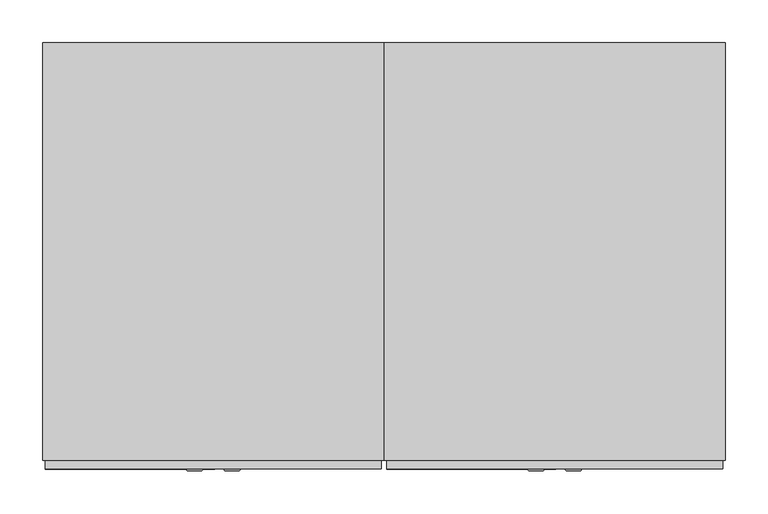
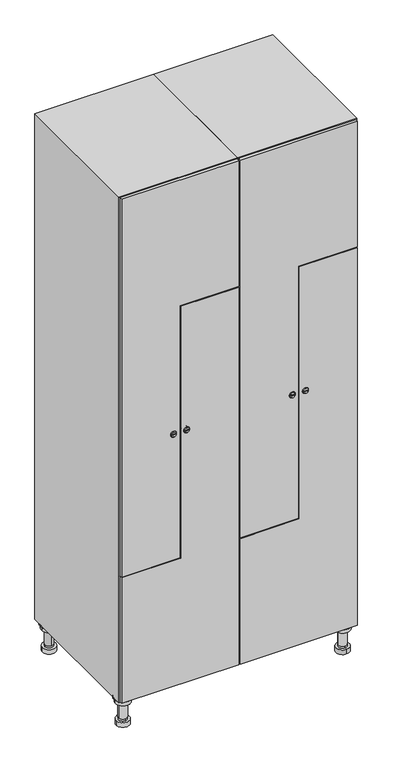
"""IFC4 building model written with IfcOpenShell, lengths in millimetres: furniture geometry."""

import ifcopenshell
import ifcopenshell.guid

model = None  # the IFC model being written
_history = None  # IfcOwnerHistory: only IFC2X3 demands one
_inside = {}  # id of a spatial element -> (the spatial element, [elements in it])
_under = {}  # id of a project, library or spatial element -> (it, [spatial elements below it])
_declared = {}  # id of a project -> (the project, [libraries it declares])
_typed = {}  # id of a type object -> (the type object, [elements of that type])
_made_of = {}  # id of a material, layer set ... -> (it, [elements and type objects made of it])


def new_model(schema):
    """Start an empty IFC model of exactly this schema.

    Asked for "IFC4X3", IfcOpenShell would pick the latest addendum, in which some entities
    have other attributes; the version numbers below select the first issue.
    IFC2X3 requires an IfcOwnerHistory on every rooted entity: one is made here for all.
    """
    global model, _history
    if schema == "IFC4X3":
        model = ifcopenshell.file(schema_version=(4, 3, 0, 0))
    else:
        model = ifcopenshell.file(schema=schema)
    _inside.clear()
    _under.clear()
    _declared.clear()
    _typed.clear()
    _made_of.clear()
    _history = None
    if model.schema == "IFC2X3":
        org = make("IfcOrganization", Name="unknown")
        user = make(
            "IfcPersonAndOrganization",
            ThePerson=make("IfcPerson", FamilyName="unknown"),
            TheOrganization=org,
        )
        app = make(
            "IfcApplication",
            ApplicationDeveloper=org,
            Version="unknown",
            ApplicationFullName="unknown",
            ApplicationIdentifier="unknown",
        )
        _history = make(
            "IfcOwnerHistory",
            OwningUser=user,
            OwningApplication=app,
            ChangeAction="ADDED",
            CreationDate=0,
        )
    return model


def make(cls, **values):
    """One entity of the class cls with the attributes given. An attribute that is None is left unset."""
    return model.create_entity(
        cls, **{name: value for name, value in values.items() if value is not None}
    )


def rooted(cls, **values):
    """An entity with a GlobalId (a new one), such as an element, a storey or a relation."""
    return make(cls, GlobalId=ifcopenshell.guid.new(), OwnerHistory=_history, **values)


def si_unit(unit_type, name, prefix=None):
    """IfcSIUnit, for example si_unit("LENGTHUNIT", "METRE", prefix="MILLI")."""
    return make("IfcSIUnit", UnitType=unit_type, Prefix=prefix, Name=name)


def assignment(units):
    """IfcUnitAssignment: the units of a project."""
    return None if units is None else make("IfcUnitAssignment", Units=units)


def point(xyz):
    """IfcCartesianPoint."""
    return None if xyz is None else make("IfcCartesianPoint", Coordinates=xyz)


def direction(xyz):
    """IfcDirection."""
    return None if xyz is None else make("IfcDirection", DirectionRatios=xyz)


def frame(location, z_axis=None, x_axis=None):
    """IfcAxis2Placement3D, a coordinate frame: its origin and axes. An axis left out is left unset."""
    return make(
        "IfcAxis2Placement3D",
        Location=point(location),
        Axis=direction(z_axis),
        RefDirection=direction(x_axis),
    )


def frame_2d(location, x_axis=None):
    """IfcAxis2Placement2D, a coordinate frame in the plane: its origin and x axis."""
    return make(
        "IfcAxis2Placement2D", Location=point(location), RefDirection=direction(x_axis)
    )


def origin():
    """The frame at (0, 0, 0) with its axes left unset."""
    return frame((0.0, 0.0, 0.0))


def place(relative_to, where):
    """IfcLocalPlacement: puts the frame where relative to a parent placement (None: the world)."""
    return make(
        "IfcLocalPlacement", PlacementRelTo=relative_to, RelativePlacement=where
    )


def context(
    kind, dimensions, precision=None, world=None, true_north=None, identifier=None
):
    """IfcGeometricRepresentationContext, for example the 3D "Model" context."""
    return make(
        "IfcGeometricRepresentationContext",
        ContextIdentifier=identifier,
        ContextType=kind,
        CoordinateSpaceDimension=dimensions,
        Precision=precision,
        WorldCoordinateSystem=world,
        TrueNorth=true_north,
    )


def project(units=None, contexts=None):
    """IfcProject with its units and contexts."""
    return rooted(
        "IfcProject",
        Name="project",
        RepresentationContexts=contexts,
        UnitsInContext=assignment(units),
    )


def spatial(cls, under=None, at=None, **own):
    """A site, building, storey or space (cls), placed at a placement, below another one or the project."""
    s = rooted(cls, ObjectPlacement=at, **own)
    if under is not None:
        _under.setdefault(under.id(), (under, []))[1].append(s)
    return s


def polyline(points):
    """IfcPolyline through the points."""
    return make("IfcPolyline", Points=[point(p) for p in points])


def circle_curve(where, radius):
    """IfcCircle in the frame where."""
    return make("IfcCircle", Position=where, Radius=radius)


def trimmed(basis, trim1, trim2, sense, master):
    """IfcTrimmedCurve: the piece of a basis curve between two trims."""
    return make(
        "IfcTrimmedCurve",
        BasisCurve=basis,
        Trim1=trim1,
        Trim2=trim2,
        SenseAgreement=sense,
        MasterRepresentation=master,
    )


def segment(curve, same_sense, transition):
    """IfcCompositeCurveSegment."""
    return make(
        "IfcCompositeCurveSegment",
        Transition=transition,
        SameSense=same_sense,
        ParentCurve=curve,
    )


def composite_curve(segments, self_intersect=None):
    """IfcCompositeCurve: segments joined end to end."""
    return make("IfcCompositeCurve", Segments=segments, SelfIntersect=self_intersect)


def outline(outer, holes=None, kind="AREA"):
    """IfcArbitraryClosedProfileDef: a profile drawn as a closed curve; with holes, ...WithVoids."""
    if holes is None:
        return make("IfcArbitraryClosedProfileDef", ProfileType=kind, OuterCurve=outer)
    return make(
        "IfcArbitraryProfileDefWithVoids",
        ProfileType=kind,
        OuterCurve=outer,
        InnerCurves=holes,
    )


def extrude(swept, where, along, depth):
    """IfcExtrudedAreaSolid: the profile swept, set in the frame where, extruded along a direction by depth."""
    return make(
        "IfcExtrudedAreaSolid",
        SweptArea=swept,
        Position=where,
        ExtrudedDirection=direction(along),
        Depth=depth,
    )


def faces_of(points, faces, orient=None, outer=None):
    """IfcFace entities. A face is a list of loops; a loop is a list of indices into points, from 0.

    orient and outer hold one flag for each loop. By default every Orientation is true, the
    first loop of a face is its IfcFaceOuterBound and the others are IfcFaceBound.
    """
    made = []
    for i, loops in enumerate(faces):
        bounds = []
        for j, loop in enumerate(loops):
            is_outer = j == 0 if outer is None else outer[i][j]
            bounds.append(
                make(
                    "IfcFaceOuterBound" if is_outer else "IfcFaceBound",
                    Bound=make("IfcPolyLoop", Polygon=[points[k] for k in loop]),
                    Orientation=True if orient is None else orient[i][j],
                )
            )
        made.append(make("IfcFace", Bounds=bounds))
    return made


def faceted_brep(points, faces, orient=None, outer=None, voids=None):
    """IfcFacetedBrep: a solid bounded by flat faces; with voids (closed shells), ...WithVoids."""
    shared = [point(p) for p in points]
    hull = make("IfcClosedShell", CfsFaces=faces_of(shared, faces, orient, outer))
    if voids is None:
        return make("IfcFacetedBrep", Outer=hull)
    return make(
        "IfcFacetedBrepWithVoids",
        Outer=hull,
        Voids=[
            make(cls, CfsFaces=faces_of(shared, fs, o, b)) for cls, fs, o, b in voids
        ],
    )


def shape(context_of_items, identifier, shape_type, items):
    """IfcShapeRepresentation: the items that make up one representation, for example the "Body"."""
    return make(
        "IfcShapeRepresentation",
        ContextOfItems=context_of_items,
        RepresentationIdentifier=identifier,
        RepresentationType=shape_type,
        Items=items,
    )


def source(mapping_origin, context_of_items, identifier, shape_type, items):
    """IfcRepresentationMap: a shape defined once, which mapped items show again and again."""
    return make(
        "IfcRepresentationMap",
        MappingOrigin=mapping_origin,
        MappedRepresentation=shape(context_of_items, identifier, shape_type, items),
    )


def transform(
    local_origin,
    x_axis=None,
    y_axis=None,
    z_axis=None,
    scale=None,
    scale2=None,
    scale3=None,
    uniform=True,
):
    """IfcCartesianTransformationOperator3D, or its non-uniform kind. x_axis, y_axis, z_axis: its Axis1, 2, 3."""
    if uniform:
        return make(
            "IfcCartesianTransformationOperator3D",
            Axis1=direction(x_axis),
            Axis2=direction(y_axis),
            LocalOrigin=point(local_origin),
            Scale=scale,
            Axis3=direction(z_axis),
        )
    return make(
        "IfcCartesianTransformationOperator3DnonUniform",
        Axis1=direction(x_axis),
        Axis2=direction(y_axis),
        LocalOrigin=point(local_origin),
        Scale=scale,
        Axis3=direction(z_axis),
        Scale2=scale2,
        Scale3=scale3,
    )


def mapped(mapping_source, mapping_target):
    """IfcMappedItem: shows the shape of a source again, moved by a transform."""
    return make(
        "IfcMappedItem", MappingSource=mapping_source, MappingTarget=mapping_target
    )


def made_of(thing, what):
    """Note that an element or type object is made of a material, layer set ...; save() writes the relation."""
    if what is not None:
        _made_of.setdefault(what.id(), (what, []))[1].append(thing)
    return thing


def element(
    cls,
    number,
    at=None,
    inside=None,
    cuts=None,
    type_object=None,
    material=None,
    context=None,
    identifier="Body",
    shape_type=None,
    held_by="IfcProductDefinitionShape",
    body=None,
    shapes=None,
    **own,
):
    """One element of the class cls, such as IfcWall. Its Tag is "e" and its number.

    at: its placement. inside: the storey or other place that contains it. cuts: it is an
    opening in that element (IfcRelVoidsElement). A single representation is given by context,
    identifier, shape_type and body (its items); several are given by shapes. held_by: the class
    of the entity that holds the representations. save() writes the other relations.
    """
    e = rooted(cls, Tag="e%d" % number, ObjectPlacement=at, **own)
    if body is not None:
        shapes = [shape(context, identifier, shape_type, body)]
    if shapes is not None:
        e.Representation = make(held_by, Representations=shapes)
    if inside is not None:
        _inside.setdefault(inside.id(), (inside, []))[1].append(e)
    if cuts is not None:
        rooted(
            "IfcRelVoidsElement", RelatingBuildingElement=cuts, RelatedOpeningElement=e
        )
    if type_object is not None:
        _typed.setdefault(type_object.id(), (type_object, []))[1].append(e)
    return made_of(e, material)


def aggregate(whole, parts):
    """IfcRelAggregates: a whole, such as a stair, and the parts it consists of."""
    return rooted("IfcRelAggregates", RelatingObject=whole, RelatedObjects=parts)


def save(model, path):
    """Write the relations noted so far, then the file.

    IfcRelAggregates (storeys below a building ...), IfcRelContainedInSpatialStructure (elements
    in a storey), IfcRelDefinesByType, IfcRelAssociatesMaterial and IfcRelDeclares: one each for
    every whole, place, type object, material and project.
    """
    for whole, parts in _under.values():
        aggregate(whole, parts)
    for where, things in _inside.values():
        rooted(
            "IfcRelContainedInSpatialStructure",
            RelatedElements=things,
            RelatingStructure=where,
        )
    for kind, things in _typed.values():
        rooted("IfcRelDefinesByType", RelatedObjects=things, RelatingType=kind)
    for what, things in _made_of.values():
        rooted("IfcRelAssociatesMaterial", RelatedObjects=things, RelatingMaterial=what)
    for by, libraries in _declared.values():
        rooted("IfcRelDeclares", RelatingContext=by, RelatedDefinitions=libraries)
    model.write(path)


def plane_surface(at):
    """IfcPlane: the flat surface through the origin of the frame at, square to its z axis."""
    return make("IfcPlane", Position=at)


def cylinder_surface(at, radius):
    """IfcCylindricalSurface: all points at the distance radius from the z axis of the frame at."""
    return make("IfcCylindricalSurface", Position=at, Radius=radius)


def revolved_surface(curve, axis_point, axis_direction):
    """IfcSurfaceOfRevolution: the curve turned about the line through axis_point along axis_direction."""
    return make(
        "IfcSurfaceOfRevolution",
        SweptCurve=make("IfcArbitraryOpenProfileDef", ProfileType="CURVE", Curve=curve),
        AxisPosition=make("IfcAxis1Placement", Location=point(axis_point), Axis=direction(axis_direction)),
    )


def advanced_brep(points, edges, surfaces, faces):
    """IfcAdvancedBrep: a solid bounded by faces that lie on surfaces and meet in shared edges.

    An edge is (start, end): straight between two places in points (the first is 0);
    or (start, end, curve); or (start, end, curve, False) where it runs against its curve.
    A face is (place in surfaces, loops), or (place, loops, False) where it looks against
    its surface's normal. A loop lists edges by number (the first is 1), with a minus sign
    where the edge is run from its end to its start. The first loop is the outer one.
    """
    corners = [point(p) for p in points]
    vertices = [make("IfcVertexPoint", VertexGeometry=c) for c in corners]
    made = []
    for start, end, *more in edges:
        made.append(
            make(
                "IfcEdgeCurve",
                EdgeStart=vertices[start],
                EdgeEnd=vertices[end],
                EdgeGeometry=more[0] if more else make("IfcPolyline", Points=[corners[start], corners[end]]),
                SameSense=more[1] if len(more) > 1 else True,
            )
        )
    hull = []
    for where, loops, *sense in faces:
        bounds = []
        for j, loop in enumerate(loops):
            ring = [make("IfcOrientedEdge", EdgeElement=made[abs(k) - 1], Orientation=k > 0) for k in loop]
            bounds.append(
                make(
                    "IfcFaceOuterBound" if j == 0 else "IfcFaceBound",
                    Bound=make("IfcEdgeLoop", EdgeList=ring),
                    Orientation=True,
                )
            )
        hull.append(make("IfcAdvancedFace", Bounds=bounds, FaceSurface=surfaces[where], SameSense=sense[0] if sense else True))
    return make("IfcAdvancedBrep", Outer=make("IfcClosedShell", CfsFaces=hull))


def furniture_53dede72(model_context):
    return source(origin(), model_context, "Body", "SolidModel", [
        advanced_brep(
        [(570.0, -201.0, 22.0), (570.0, -201.5, 16.0), (570.0, -228.5, 16.0), (570.0, -229.0, 22.0), (556.0, -215.0, 22.0), (584.0, -215.0, 22.0), (570.0, -192.5, 16.0), (570.0, -237.5, 16.0), (570.0, -192.5, 0.0), (570.0, -237.5, 0.0), (584.0, -215.0, 78.0), (556.0, -215.0, 78.0), (595.0, -215.0, 78.0), (545.0, -215.0, 78.0), (600.0, -215.0, 94.0), (540.0, -215.0, 94.0), (545.0, -215.0, 94.0), (595.0, -215.0, 94.0), (600.0, -215.0, 100.0), (540.0, -215.0, 100.0)],
        [
            (0, 1),
            (1, 2, circle_curve(frame((570.0, -215.0, 16.0), z_axis=(0.0, 0.0, 1.0), x_axis=(0.0, -1.0, 0.0)), 13.5)),
            (2, 3),
            (3, 4, circle_curve(frame((570.0, -215.0, 22.0), z_axis=(0.0, 0.0, -1.0), x_axis=(0.0, -1.0, 0.0)), 14.0)),
            (4, 0, circle_curve(frame((570.0, -215.0, 22.0), z_axis=(0.0, 0.0, -1.0), x_axis=(0.0, -1.0, 0.0)), 14.0)),
            (0, 5, circle_curve(frame((570.0, -215.0, 22.0), z_axis=(0.0, 0.0, -1.0), x_axis=(0.0, 1.0, 0.0)), 14.0)),
            (5, 3, circle_curve(frame((570.0, -215.0, 22.0), z_axis=(0.0, 0.0, -1.0), x_axis=(0.0, 1.0, 0.0)), 14.0)),
            (2, 1, circle_curve(frame((570.0, -215.0, 16.0), z_axis=(0.0, 0.0, 1.0), x_axis=(0.0, 1.0, 0.0)), 13.5)),
            (6, 7, circle_curve(frame((570.0, -215.0, 16.0), z_axis=(0.0, 0.0, 1.0), x_axis=(0.0, -1.0, 0.0)), 22.5)),
            (7, 6, circle_curve(frame((570.0, -215.0, 16.0), z_axis=(0.0, 0.0, 1.0), x_axis=(0.0, -1.0, 0.0)), 22.5)),
            (8, 9, circle_curve(frame((570.0, -215.0, 0.0), z_axis=(0.0, 0.0, -1.0), x_axis=(0.0, -1.0, 0.0)), 22.5)),
            (9, 8, circle_curve(frame((570.0, -215.0, 0.0), z_axis=(0.0, 0.0, -1.0), x_axis=(0.0, -1.0, 0.0)), 22.5)),
            (6, 8),
            (9, 7),
            (5, 10),
            (10, 11, circle_curve(frame((570.0, -215.0, 78.0), z_axis=(0.0, 0.0, -1.0), x_axis=(-1.0, 0.0, 0.0)), 14.0)),
            (11, 4),
            (11, 10, circle_curve(frame((570.0, -215.0, 78.0), z_axis=(0.0, 0.0, -1.0), x_axis=(-1.0, 0.0, 0.0)), 14.0)),
            (12, 13, circle_curve(frame((570.0, -215.0, 78.0), z_axis=(0.0, 0.0, -1.0), x_axis=(-1.0, 0.0, 0.0)), 25.0)),
            (13, 12, circle_curve(frame((570.0, -215.0, 78.0), z_axis=(0.0, 0.0, -1.0), x_axis=(-1.0, 0.0, 0.0)), 25.0)),
            (14, 15, circle_curve(frame((570.0, -215.0, 94.0), z_axis=(0.0, 0.0, -1.0), x_axis=(-1.0, 0.0, 0.0)), 30.0)),
            (15, 14, circle_curve(frame((570.0, -215.0, 94.0), z_axis=(0.0, 0.0, -1.0), x_axis=(-1.0, 0.0, 0.0)), 30.0)),
            (16, 17, circle_curve(frame((570.0, -215.0, 94.0), z_axis=(0.0, 0.0, 1.0), x_axis=(-1.0, 0.0, 0.0)), 25.0)),
            (17, 16, circle_curve(frame((570.0, -215.0, 94.0), z_axis=(0.0, 0.0, 1.0), x_axis=(-1.0, 0.0, 0.0)), 25.0)),
            (18, 19, circle_curve(frame((570.0, -215.0, 100.0), z_axis=(0.0, 0.0, 1.0), x_axis=(-1.0, 0.0, 0.0)), 30.0)),
            (19, 18, circle_curve(frame((570.0, -215.0, 100.0), z_axis=(0.0, 0.0, 1.0), x_axis=(-1.0, 0.0, 0.0)), 30.0)),
            (14, 18),
            (19, 15),
            (12, 17),
            (16, 13),
        ],
        [
            revolved_surface(polyline([(570.0, -201.5, 16.0), (570.0, -201.0, 22.0)]), (570.0, -215.0, -146.0), (0.0, 0.0, 1.0)),
            plane_surface(frame((570.0, 0.0, 16.0), z_axis=(0.0, 0.0, 1.0), x_axis=(0.0, -1.0, 0.0))),
            plane_surface(frame((570.0, 0.0, 0.0), z_axis=(0.0, 0.0, -1.0), x_axis=(0.0, -1.0, 0.0))),
            cylinder_surface(frame((570.0, -215.0, 16.0), z_axis=(0.0, 0.0, 1.0), x_axis=(0.0, -1.0, 0.0)), 22.5),
            cylinder_surface(frame((570.0, -215.0, 22.0), z_axis=(0.0, 0.0, -1.0), x_axis=(-1.0, 0.0, 0.0)), 14.0),
            plane_surface(frame((570.0, 0.0, 78.0), z_axis=(0.0, 0.0, -1.0), x_axis=(0.0, -1.0, 0.0))),
            plane_surface(frame((570.0, 0.0, 94.0), z_axis=(0.0, 0.0, -1.0), x_axis=(0.0, -1.0, 0.0))),
            plane_surface(frame((570.0, 0.0, 100.0), z_axis=(0.0, 0.0, 1.0), x_axis=(0.0, -1.0, 0.0))),
            cylinder_surface(frame((570.0, -215.0, 94.0), z_axis=(0.0, 0.0, -1.0), x_axis=(-1.0, 0.0, 0.0)), 30.0),
            cylinder_surface(frame((570.0, -215.0, 78.0), z_axis=(0.0, 0.0, -1.0), x_axis=(-1.0, 0.0, 0.0)), 25.0),
        ],
        [
            (0, [[1, 2, 3, 4, 5]]),
            (0, [[-1, 6, 7, -3, 8]]),
            (1, [[9, 10], [-2, -8]]),
            (2, [[11, 12]]),
            (3, [[-9, 13, -12, 14]]),
            (3, [[-10, -14, -11, -13]]),
            (4, [[15, 16, 17, -4, -7]]),
            (4, [[-15, -6, -5, -17, 18]]),
            (5, [[19, 20], [-16, -18]]),
            (6, [[21, 22], [23, 24]]),
            (7, [[25, 26]]),
            (8, [[-21, 27, -26, 28]]),
            (8, [[-22, -28, -25, -27]]),
            (9, [[-19, 29, -23, 30]]),
            (9, [[-20, -30, -24, -29]]),
        ],
    ),
        advanced_brep(
        [(-170.0, -201.0, 22.0), (-170.0, -201.5, 16.0), (-170.0, -228.5, 16.0), (-170.0, -229.0, 22.0), (-184.0, -215.0, 22.0), (-156.0, -215.0, 22.0), (-147.5, -215.0, 0.0), (-192.5, -215.0, 0.0), (-147.5, -215.0, 16.0), (-192.5, -215.0, 16.0), (-156.0, -215.0, 78.0), (-184.0, -215.0, 78.0), (-145.0, -215.0, 78.0), (-195.0, -215.0, 78.0), (-140.0, -215.0, 94.0), (-200.0, -215.0, 94.0), (-195.0, -215.0, 94.0), (-145.0, -215.0, 94.0), (-140.0, -215.0, 100.0), (-200.0, -215.0, 100.0)],
        [
            (0, 1),
            (1, 2, circle_curve(frame((-170.0, -215.0, 16.0), z_axis=(0.0, 0.0, 1.0), x_axis=(0.0, -1.0, 0.0)), 13.5)),
            (2, 3),
            (3, 4, circle_curve(frame((-170.0, -215.0, 22.0), z_axis=(0.0, 0.0, -1.0), x_axis=(0.0, -1.0, 0.0)), 14.0)),
            (4, 0, circle_curve(frame((-170.0, -215.0, 22.0), z_axis=(0.0, 0.0, -1.0), x_axis=(0.0, -1.0, 0.0)), 14.0)),
            (0, 5, circle_curve(frame((-170.0, -215.0, 22.0), z_axis=(0.0, 0.0, -1.0), x_axis=(0.0, 1.0, 0.0)), 14.0)),
            (5, 3, circle_curve(frame((-170.0, -215.0, 22.0), z_axis=(0.0, 0.0, -1.0), x_axis=(0.0, 1.0, 0.0)), 14.0)),
            (2, 1, circle_curve(frame((-170.0, -215.0, 16.0), z_axis=(0.0, 0.0, 1.0), x_axis=(0.0, 1.0, 0.0)), 13.5)),
            (6, 7, circle_curve(frame((-170.0, -215.0, 0.0), z_axis=(0.0, 0.0, -1.0), x_axis=(-1.0, 0.0, 0.0)), 22.5)),
            (7, 6, circle_curve(frame((-170.0, -215.0, 0.0), z_axis=(0.0, 0.0, -1.0), x_axis=(-1.0, 0.0, 0.0)), 22.5)),
            (8, 9, circle_curve(frame((-170.0, -215.0, 16.0), z_axis=(0.0, 0.0, 1.0), x_axis=(-1.0, 0.0, 0.0)), 22.5)),
            (9, 8, circle_curve(frame((-170.0, -215.0, 16.0), z_axis=(0.0, 0.0, 1.0), x_axis=(-1.0, 0.0, 0.0)), 22.5)),
            (6, 8),
            (9, 7),
            (5, 10),
            (10, 11, circle_curve(frame((-170.0, -215.0, 78.0), z_axis=(0.0, 0.0, -1.0), x_axis=(-1.0, 0.0, 0.0)), 14.0)),
            (11, 4),
            (11, 10, circle_curve(frame((-170.0, -215.0, 78.0), z_axis=(0.0, 0.0, -1.0), x_axis=(-1.0, 0.0, 0.0)), 14.0)),
            (12, 13, circle_curve(frame((-170.0, -215.0, 78.0), z_axis=(0.0, 0.0, -1.0), x_axis=(-1.0, 0.0, 0.0)), 25.0)),
            (13, 12, circle_curve(frame((-170.0, -215.0, 78.0), z_axis=(0.0, 0.0, -1.0), x_axis=(-1.0, 0.0, 0.0)), 25.0)),
            (14, 15, circle_curve(frame((-170.0, -215.0, 94.0), z_axis=(0.0, 0.0, -1.0), x_axis=(-1.0, 0.0, 0.0)), 30.0)),
            (15, 14, circle_curve(frame((-170.0, -215.0, 94.0), z_axis=(0.0, 0.0, -1.0), x_axis=(-1.0, 0.0, 0.0)), 30.0)),
            (16, 17, circle_curve(frame((-170.0, -215.0, 94.0), z_axis=(0.0, 0.0, 1.0), x_axis=(-1.0, 0.0, 0.0)), 25.0)),
            (17, 16, circle_curve(frame((-170.0, -215.0, 94.0), z_axis=(0.0, 0.0, 1.0), x_axis=(-1.0, 0.0, 0.0)), 25.0)),
            (18, 19, circle_curve(frame((-170.0, -215.0, 100.0), z_axis=(0.0, 0.0, 1.0), x_axis=(-1.0, 0.0, 0.0)), 30.0)),
            (19, 18, circle_curve(frame((-170.0, -215.0, 100.0), z_axis=(0.0, 0.0, 1.0), x_axis=(-1.0, 0.0, 0.0)), 30.0)),
            (14, 18),
            (19, 15),
            (12, 17),
            (16, 13),
        ],
        [
            revolved_surface(polyline([(-170.0, -201.5, 16.0), (-170.0, -201.0, 22.0)]), (-170.0, -215.0, -146.0), (0.0, 0.0, 1.0)),
            plane_surface(frame((-170.0, 0.0, 0.0), z_axis=(0.0, 0.0, -1.0), x_axis=(0.0, -1.0, 0.0))),
            plane_surface(frame((-170.0, 0.0, 16.0), z_axis=(0.0, 0.0, 1.0), x_axis=(0.0, -1.0, 0.0))),
            cylinder_surface(frame((-170.0, -215.0, 0.0), z_axis=(0.0, 0.0, -1.0), x_axis=(-1.0, 0.0, 0.0)), 22.5),
            cylinder_surface(frame((-170.0, -215.0, 22.0), z_axis=(0.0, 0.0, -1.0), x_axis=(-1.0, 0.0, 0.0)), 14.0),
            plane_surface(frame((-170.0, 0.0, 78.0), z_axis=(0.0, 0.0, -1.0), x_axis=(0.0, -1.0, 0.0))),
            plane_surface(frame((-170.0, 0.0, 94.0), z_axis=(0.0, 0.0, -1.0), x_axis=(0.0, -1.0, 0.0))),
            plane_surface(frame((-170.0, 0.0, 100.0), z_axis=(0.0, 0.0, 1.0), x_axis=(0.0, -1.0, 0.0))),
            cylinder_surface(frame((-170.0, -215.0, 94.0), z_axis=(0.0, 0.0, -1.0), x_axis=(-1.0, 0.0, 0.0)), 30.0),
            cylinder_surface(frame((-170.0, -215.0, 78.0), z_axis=(0.0, 0.0, -1.0), x_axis=(-1.0, 0.0, 0.0)), 25.0),
        ],
        [
            (0, [[1, 2, 3, 4, 5]]),
            (0, [[-1, 6, 7, -3, 8]]),
            (1, [[9, 10]]),
            (2, [[11, 12], [-2, -8]]),
            (3, [[-9, 13, -12, 14]]),
            (3, [[-10, -14, -11, -13]]),
            (4, [[15, 16, 17, -4, -7]]),
            (4, [[-15, -6, -5, -17, 18]]),
            (5, [[19, 20], [-16, -18]]),
            (6, [[21, 22], [23, 24]]),
            (7, [[25, 26]]),
            (8, [[-21, 27, -26, 28]]),
            (8, [[-22, -28, -25, -27]]),
            (9, [[-19, 29, -23, 30]]),
            (9, [[-20, -30, -24, -29]]),
        ],
    ),
        advanced_brep(
        [(583.5, 215.0, 16.0), (584.0, 215.0, 22.0), (556.0, 215.0, 22.0), (556.5, 215.0, 16.0), (592.5, 215.0, 0.0), (547.5, 215.0, 0.0), (592.5, 215.0, 16.0), (547.5, 215.0, 16.0), (584.0, 215.0, 78.0), (556.0, 215.0, 78.0), (595.0, 215.0, 78.0), (545.0, 215.0, 78.0), (600.0, 215.0, 94.0), (540.0, 215.0, 94.0), (545.0, 215.0, 94.0), (595.0, 215.0, 94.0), (600.0, 215.0, 100.0), (540.0, 215.0, 100.0)],
        [
            (0, 1),
            (1, 2, circle_curve(frame((570.0, 215.0, 22.0), z_axis=(0.0, 0.0, -1.0), x_axis=(-1.0, 0.0, 0.0)), 14.0)),
            (2, 3),
            (3, 0, circle_curve(frame((570.0, 215.0, 16.0), z_axis=(0.0, 0.0, 1.0), x_axis=(-1.0, 0.0, 0.0)), 13.5)),
            (0, 3, circle_curve(frame((570.0, 215.0, 16.0), z_axis=(0.0, 0.0, 1.0), x_axis=(1.0, 0.0, 0.0)), 13.5)),
            (2, 1, circle_curve(frame((570.0, 215.0, 22.0), z_axis=(0.0, 0.0, -1.0), x_axis=(1.0, 0.0, 0.0)), 14.0)),
            (4, 5, circle_curve(frame((570.0, 215.0, 0.0), z_axis=(0.0, 0.0, -1.0), x_axis=(-1.0, 0.0, 0.0)), 22.5)),
            (5, 4, circle_curve(frame((570.0, 215.0, 0.0), z_axis=(0.0, 0.0, -1.0), x_axis=(-1.0, 0.0, 0.0)), 22.5)),
            (6, 7, circle_curve(frame((570.0, 215.0, 16.0), z_axis=(0.0, 0.0, 1.0), x_axis=(-1.0, 0.0, 0.0)), 22.5)),
            (7, 6, circle_curve(frame((570.0, 215.0, 16.0), z_axis=(0.0, 0.0, 1.0), x_axis=(-1.0, 0.0, 0.0)), 22.5)),
            (4, 6),
            (7, 5),
            (1, 8),
            (8, 9, circle_curve(frame((570.0, 215.0, 78.0), z_axis=(0.0, 0.0, -1.0), x_axis=(-1.0, 0.0, 0.0)), 14.0)),
            (9, 2),
            (9, 8, circle_curve(frame((570.0, 215.0, 78.0), z_axis=(0.0, 0.0, -1.0), x_axis=(-1.0, 0.0, 0.0)), 14.0)),
            (10, 11, circle_curve(frame((570.0, 215.0, 78.0), z_axis=(0.0, 0.0, -1.0), x_axis=(-1.0, 0.0, 0.0)), 25.0)),
            (11, 10, circle_curve(frame((570.0, 215.0, 78.0), z_axis=(0.0, 0.0, -1.0), x_axis=(-1.0, 0.0, 0.0)), 25.0)),
            (12, 13, circle_curve(frame((570.0, 215.0, 94.0), z_axis=(0.0, 0.0, -1.0), x_axis=(-1.0, 0.0, 0.0)), 30.0)),
            (13, 12, circle_curve(frame((570.0, 215.0, 94.0), z_axis=(0.0, 0.0, -1.0), x_axis=(-1.0, 0.0, 0.0)), 30.0)),
            (14, 15, circle_curve(frame((570.0, 215.0, 94.0), z_axis=(0.0, 0.0, 1.0), x_axis=(-1.0, 0.0, 0.0)), 25.0)),
            (15, 14, circle_curve(frame((570.0, 215.0, 94.0), z_axis=(0.0, 0.0, 1.0), x_axis=(-1.0, 0.0, 0.0)), 25.0)),
            (16, 17, circle_curve(frame((570.0, 215.0, 100.0), z_axis=(0.0, 0.0, 1.0), x_axis=(-1.0, 0.0, 0.0)), 30.0)),
            (17, 16, circle_curve(frame((570.0, 215.0, 100.0), z_axis=(0.0, 0.0, 1.0), x_axis=(-1.0, 0.0, 0.0)), 30.0)),
            (12, 16),
            (17, 13),
            (10, 15),
            (14, 11),
        ],
        [
            revolved_surface(polyline([(583.5, 215.0, 16.0), (584.0, 215.0, 22.0)]), (570.0, 215.0, -146.0), (0.0, 0.0, 1.0)),
            plane_surface(frame((570.0, 0.0, 0.0), z_axis=(0.0, 0.0, -1.0), x_axis=(0.0, -1.0, 0.0))),
            plane_surface(frame((570.0, 0.0, 16.0), z_axis=(0.0, 0.0, 1.0), x_axis=(0.0, -1.0, 0.0))),
            cylinder_surface(frame((570.0, 215.0, 0.0), z_axis=(0.0, 0.0, -1.0), x_axis=(-1.0, 0.0, 0.0)), 22.5),
            cylinder_surface(frame((570.0, 215.0, 22.0), z_axis=(0.0, 0.0, -1.0), x_axis=(-1.0, 0.0, 0.0)), 14.0),
            plane_surface(frame((570.0, 0.0, 78.0), z_axis=(0.0, 0.0, -1.0), x_axis=(0.0, -1.0, 0.0))),
            plane_surface(frame((570.0, 0.0, 94.0), z_axis=(0.0, 0.0, -1.0), x_axis=(0.0, -1.0, 0.0))),
            plane_surface(frame((570.0, 0.0, 100.0), z_axis=(0.0, 0.0, 1.0), x_axis=(0.0, -1.0, 0.0))),
            cylinder_surface(frame((570.0, 215.0, 94.0), z_axis=(0.0, 0.0, -1.0), x_axis=(-1.0, 0.0, 0.0)), 30.0),
            cylinder_surface(frame((570.0, 215.0, 78.0), z_axis=(0.0, 0.0, -1.0), x_axis=(-1.0, 0.0, 0.0)), 25.0),
        ],
        [
            (0, [[1, 2, 3, 4]]),
            (0, [[-1, 5, -3, 6]]),
            (1, [[7, 8]]),
            (2, [[9, 10], [-4, -5]]),
            (3, [[-7, 11, -10, 12]]),
            (3, [[-8, -12, -9, -11]]),
            (4, [[13, 14, 15, -2]]),
            (4, [[-13, -6, -15, 16]]),
            (5, [[17, 18], [-14, -16]]),
            (6, [[19, 20], [21, 22]]),
            (7, [[23, 24]]),
            (8, [[-19, 25, -24, 26]]),
            (8, [[-20, -26, -23, -25]]),
            (9, [[-17, 27, -21, 28]]),
            (9, [[-18, -28, -22, -27]]),
        ],
    ),
        advanced_brep(
        [(-156.5, 215.0, 16.0), (-156.0, 215.0, 22.0), (-170.0, 201.0, 22.0), (-184.0, 215.0, 22.0), (-183.5, 215.0, 16.0), (-170.0, 229.0, 22.0), (-147.5, 215.0, 0.0), (-192.5, 215.0, 0.0), (-147.5, 215.0, 16.0), (-192.5, 215.0, 16.0), (-170.0, 229.0, 78.0), (-170.0, 201.0, 78.0), (-145.0, 215.0, 78.0), (-195.0, 215.0, 78.0), (-140.0, 215.0, 94.0), (-200.0, 215.0, 94.0), (-195.0, 215.0, 94.0), (-145.0, 215.0, 94.0), (-140.0, 215.0, 100.0), (-200.0, 215.0, 100.0)],
        [
            (0, 1),
            (1, 2, circle_curve(frame((-170.0, 215.0, 22.0), z_axis=(0.0, 0.0, -1.0), x_axis=(-1.0, 0.0, 0.0)), 14.0)),
            (2, 3, circle_curve(frame((-170.0, 215.0, 22.0), z_axis=(0.0, 0.0, -1.0), x_axis=(-1.0, 0.0, 0.0)), 14.0)),
            (3, 4),
            (4, 0, circle_curve(frame((-170.0, 215.0, 16.0), z_axis=(0.0, 0.0, 1.0), x_axis=(-1.0, 0.0, 0.0)), 13.5)),
            (0, 4, circle_curve(frame((-170.0, 215.0, 16.0), z_axis=(0.0, 0.0, 1.0), x_axis=(1.0, 0.0, 0.0)), 13.5)),
            (3, 5, circle_curve(frame((-170.0, 215.0, 22.0), z_axis=(0.0, 0.0, -1.0), x_axis=(1.0, 0.0, 0.0)), 14.0)),
            (5, 1, circle_curve(frame((-170.0, 215.0, 22.0), z_axis=(0.0, 0.0, -1.0), x_axis=(1.0, 0.0, 0.0)), 14.0)),
            (6, 7, circle_curve(frame((-170.0, 215.0, 0.0), z_axis=(0.0, 0.0, -1.0), x_axis=(-1.0, 0.0, 0.0)), 22.5)),
            (7, 6, circle_curve(frame((-170.0, 215.0, 0.0), z_axis=(0.0, 0.0, -1.0), x_axis=(-1.0, 0.0, 0.0)), 22.5)),
            (8, 9, circle_curve(frame((-170.0, 215.0, 16.0), z_axis=(0.0, 0.0, 1.0), x_axis=(-1.0, 0.0, 0.0)), 22.5)),
            (9, 8, circle_curve(frame((-170.0, 215.0, 16.0), z_axis=(0.0, 0.0, 1.0), x_axis=(-1.0, 0.0, 0.0)), 22.5)),
            (6, 8),
            (9, 7),
            (10, 5),
            (2, 11),
            (11, 10, circle_curve(frame((-170.0, 215.0, 78.0), z_axis=(0.0, 0.0, -1.0), x_axis=(0.0, -1.0, 0.0)), 14.0)),
            (10, 11, circle_curve(frame((-170.0, 215.0, 78.0), z_axis=(0.0, 0.0, -1.0), x_axis=(0.0, -1.0, 0.0)), 14.0)),
            (12, 13, circle_curve(frame((-170.0, 215.0, 78.0), z_axis=(0.0, 0.0, -1.0), x_axis=(-1.0, 0.0, 0.0)), 25.0)),
            (13, 12, circle_curve(frame((-170.0, 215.0, 78.0), z_axis=(0.0, 0.0, -1.0), x_axis=(-1.0, 0.0, 0.0)), 25.0)),
            (14, 15, circle_curve(frame((-170.0, 215.0, 94.0), z_axis=(0.0, 0.0, -1.0), x_axis=(-1.0, 0.0, 0.0)), 30.0)),
            (15, 14, circle_curve(frame((-170.0, 215.0, 94.0), z_axis=(0.0, 0.0, -1.0), x_axis=(-1.0, 0.0, 0.0)), 30.0)),
            (16, 17, circle_curve(frame((-170.0, 215.0, 94.0), z_axis=(0.0, 0.0, 1.0), x_axis=(-1.0, 0.0, 0.0)), 25.0)),
            (17, 16, circle_curve(frame((-170.0, 215.0, 94.0), z_axis=(0.0, 0.0, 1.0), x_axis=(-1.0, 0.0, 0.0)), 25.0)),
            (18, 19, circle_curve(frame((-170.0, 215.0, 100.0), z_axis=(0.0, 0.0, 1.0), x_axis=(-1.0, 0.0, 0.0)), 30.0)),
            (19, 18, circle_curve(frame((-170.0, 215.0, 100.0), z_axis=(0.0, 0.0, 1.0), x_axis=(-1.0, 0.0, 0.0)), 30.0)),
            (14, 18),
            (19, 15),
            (12, 17),
            (16, 13),
        ],
        [
            revolved_surface(polyline([(-156.5, 215.0, 16.0), (-156.0, 215.0, 22.0)]), (-170.0, 215.0, -146.0), (0.0, 0.0, 1.0)),
            plane_surface(frame((-170.0, 0.0, 0.0), z_axis=(0.0, 0.0, -1.0), x_axis=(0.0, -1.0, 0.0))),
            plane_surface(frame((-170.0, 0.0, 16.0), z_axis=(0.0, 0.0, 1.0), x_axis=(0.0, -1.0, 0.0))),
            cylinder_surface(frame((-170.0, 215.0, 0.0), z_axis=(0.0, 0.0, -1.0), x_axis=(-1.0, 0.0, 0.0)), 22.5),
            cylinder_surface(frame((-170.0, 215.0, 78.0), z_axis=(0.0, 0.0, 1.0), x_axis=(0.0, -1.0, 0.0)), 14.0),
            plane_surface(frame((-170.0, 0.0, 78.0), z_axis=(0.0, 0.0, -1.0), x_axis=(0.0, -1.0, 0.0))),
            plane_surface(frame((-170.0, 0.0, 94.0), z_axis=(0.0, 0.0, -1.0), x_axis=(0.0, -1.0, 0.0))),
            plane_surface(frame((-170.0, 0.0, 100.0), z_axis=(0.0, 0.0, 1.0), x_axis=(0.0, -1.0, 0.0))),
            cylinder_surface(frame((-170.0, 215.0, 94.0), z_axis=(0.0, 0.0, -1.0), x_axis=(-1.0, 0.0, 0.0)), 30.0),
            cylinder_surface(frame((-170.0, 215.0, 78.0), z_axis=(0.0, 0.0, -1.0), x_axis=(-1.0, 0.0, 0.0)), 25.0),
        ],
        [
            (0, [[1, 2, 3, 4, 5]]),
            (0, [[-1, 6, -4, 7, 8]]),
            (1, [[9, 10]]),
            (2, [[11, 12], [-5, -6]]),
            (3, [[-9, 13, -12, 14]]),
            (3, [[-10, -14, -11, -13]]),
            (4, [[15, -7, -3, 16, 17]]),
            (4, [[-15, 18, -16, -2, -8]]),
            (5, [[19, 20], [-17, -18]]),
            (6, [[21, 22], [23, 24]]),
            (7, [[25, 26]]),
            (8, [[-21, 27, -26, 28]]),
            (8, [[-22, -28, -25, -27]]),
            (9, [[-19, 29, -23, 30]]),
            (9, [[-20, -30, -24, -29]]),
        ],
    ),
        extrude(outline(composite_curve([segment(trimmed(circle_curve(frame_2d((1000.0, 404.7989466)), 7.0), [point((993.0, 404.7989466))], [point((1007.0, 404.7989466))], False, "CARTESIAN"), True, "CONTINUOUS"), segment(polyline([(1007.0, 404.7989466), (1007.0, 376.7989466)]), True, "CONTINUOUS"), segment(trimmed(circle_curve(frame_2d((1000.0, 376.7989466)), 7.0), [point((1007.0, 376.7989466))], [point((993.0, 376.7989466))], False, "CARTESIAN"), True, "CONTINUOUS"), segment(polyline([(993.0, 376.7989466), (993.0, 404.7989466)]), True, "CONTINUOUS")], self_intersect=False)), frame((0.0, -245.0, 0.0), z_axis=(0.0, 1.0, 0.0), x_axis=(0.0, 0.0, 1.0)), (0.0, 0.0, 1.0), 2.0),
        advanced_brep(
        [(369.5, -257.2, 1000.0), (386.5, -257.2, 1000.0), (383.0, -257.2, 1001.25), (383.0, -257.2, 998.75), (373.0, -257.2, 998.75), (373.0, -257.2, 1001.25), (367.5, -255.0, 1000.0), (388.5, -255.0, 1000.0), (383.0, -255.0, 998.75), (383.0, -255.0, 1001.25), (373.0, -255.0, 1001.25), (373.0, -255.0, 998.75)],
        [
            (0, 1, circle_curve(frame((378.0, -257.2, 1000.0), z_axis=(0.0, -1.0, 0.0), x_axis=(-1.0, 0.0, 0.0)), 8.5)),
            (1, 0, circle_curve(frame((378.0, -257.2, 1000.0), z_axis=(0.0, -1.0, 0.0), x_axis=(1.0, 0.0, 0.0)), 8.5)),
            (2, 3),
            (3, 4),
            (4, 5),
            (5, 2),
            (6, 7, circle_curve(frame((378.0, -255.0, 1000.0), z_axis=(0.0, 1.0, 0.0), x_axis=(1.0, 0.0, 0.0)), 10.5)),
            (7, 6, circle_curve(frame((378.0, -255.0, 1000.0), z_axis=(0.0, 1.0, 0.0), x_axis=(-1.0, 0.0, 0.0)), 10.5)),
            (8, 9),
            (9, 10),
            (10, 11),
            (11, 8),
            (0, 6),
            (7, 1),
            (8, 3),
            (2, 9),
            (11, 4),
            (10, 5),
        ],
        [
            plane_surface(frame((378.0, -257.2, 1000.0), z_axis=(0.0, -1.0, 0.0), x_axis=(0.0, 0.0, -1.0))),
            plane_surface(frame((378.0, -255.0, 1000.0), z_axis=(0.0, 1.0, 0.0), x_axis=(0.0, 0.0, -1.0))),
            revolved_surface(polyline([(369.5, -257.2, 1000.0), (367.5, -255.0, 1000.0)]), (378.0, -266.55, 1000.0), (0.0, 1.0, 0.0)),
            revolved_surface(polyline([(386.5, -257.2, 1000.0), (388.5, -255.0, 1000.0)]), (378.0, -266.55, 1000.0), (0.0, 1.0, 0.0)),
            plane_surface(frame((383.0, -255.0, 1001.25), z_axis=(-1.0, 0.0, 0.0), x_axis=(0.0, -1.0, 0.0))),
            plane_surface(frame((383.0, -255.0, 998.75), z_axis=(0.0, 0.0, 1.0), x_axis=(0.0, -1.0, 0.0))),
            plane_surface(frame((373.0, -255.0, 998.75), z_axis=(1.0, 0.0, 0.0), x_axis=(0.0, -1.0, 0.0))),
            plane_surface(frame((373.0, -255.0, 1001.25), z_axis=(0.0, 0.0, -1.0), x_axis=(0.0, -1.0, 0.0))),
        ],
        [
            (0, [[1, 2], [3, 4, 5, 6]]),
            (1, [[7, 8], [9, 10, 11, 12]]),
            (2, [[-1, 13, -8, 14]]),
            (3, [[-2, -14, -7, -13]]),
            (4, [[15, -3, 16, -9]]),
            (5, [[-15, -12, 17, -4]]),
            (6, [[-17, -11, 18, -5]]),
            (7, [[-16, -6, -18, -10]]),
        ],
    ),
        extrude(outline(polyline([(1897.0, 203.0), (553.0, 203.0), (553.0, 398.5), (1450.0, 398.5), (1450.0, 597.0), (1897.0, 597.0), (1897.0, 203.0)])), frame((0.0, -255.0, 0.0), z_axis=(0.0, 1.0, 0.0), x_axis=(0.0, 0.0, 1.0)), (0.0, 0.0, 1.0), 10.0),
        extrude(outline(composite_curve([segment(trimmed(circle_curve(frame_2d((1000.0, 395.2010534)), 7.0), [point((1007.0, 395.2010534))], [point((993.0, 395.2010534))], False, "CARTESIAN"), True, "CONTINUOUS"), segment(polyline([(993.0, 395.2010534), (993.0, 423.2010534)]), True, "CONTINUOUS"), segment(trimmed(circle_curve(frame_2d((1000.0, 423.2010534)), 7.0), [point((993.0, 423.2010534))], [point((1007.0, 423.2010534))], False, "CARTESIAN"), True, "CONTINUOUS"), segment(polyline([(1007.0, 423.2010534), (1007.0, 395.2010534)]), True, "CONTINUOUS")], self_intersect=False)), frame((0.0, -245.0, 0.0), z_axis=(0.0, 1.0, 0.0), x_axis=(0.0, 0.0, 1.0)), (0.0, 0.0, 1.0), 2.0),
        advanced_brep(
        [(430.5, -257.2, 1000.0), (413.5, -257.2, 1000.0), (417.0, -257.2, 998.75), (417.0, -257.2, 1001.25), (427.0, -257.2, 1001.25), (427.0, -257.2, 998.75), (432.5, -255.0, 1000.0), (411.5, -255.0, 1000.0), (417.0, -255.0, 1001.25), (417.0, -255.0, 998.75), (427.0, -255.0, 998.75), (427.0, -255.0, 1001.25)],
        [
            (0, 1, circle_curve(frame((422.0, -257.2, 1000.0), z_axis=(0.0, -1.0, 0.0), x_axis=(1.0, 0.0, 0.0)), 8.5)),
            (1, 0, circle_curve(frame((422.0, -257.2, 1000.0), z_axis=(0.0, -1.0, 0.0), x_axis=(-1.0, 0.0, 0.0)), 8.5)),
            (2, 3),
            (3, 4),
            (4, 5),
            (5, 2),
            (6, 7, circle_curve(frame((422.0, -255.0, 1000.0), z_axis=(0.0, 1.0, 0.0), x_axis=(-1.0, 0.0, 0.0)), 10.5)),
            (7, 6, circle_curve(frame((422.0, -255.0, 1000.0), z_axis=(0.0, 1.0, 0.0), x_axis=(1.0, 0.0, 0.0)), 10.5)),
            (8, 9),
            (9, 10),
            (10, 11),
            (11, 8),
            (0, 6),
            (7, 1),
            (8, 3),
            (2, 9),
            (11, 4),
            (10, 5),
        ],
        [
            plane_surface(frame((422.0, -257.2, 1000.0), z_axis=(0.0, -1.0, 0.0), x_axis=(0.0, 0.0, 1.0))),
            plane_surface(frame((422.0, -255.0, 1000.0), z_axis=(0.0, 1.0, 0.0), x_axis=(0.0, 0.0, 1.0))),
            revolved_surface(polyline([(430.5, -257.2, 1000.0), (432.5, -255.0, 1000.0)]), (422.0, -266.55, 1000.0), (0.0, 1.0, 0.0)),
            revolved_surface(polyline([(413.5, -257.2, 1000.0), (411.5, -255.0, 1000.0)]), (422.0, -266.55, 1000.0), (0.0, 1.0, 0.0)),
            plane_surface(frame((417.0, -255.0, 998.75), z_axis=(1.0, 0.0, 0.0), x_axis=(0.0, -1.0, 0.0))),
            plane_surface(frame((417.0, -255.0, 1001.25), z_axis=(0.0, 0.0, -1.0), x_axis=(0.0, -1.0, 0.0))),
            plane_surface(frame((427.0, -255.0, 1001.25), z_axis=(-1.0, 0.0, 0.0), x_axis=(0.0, -1.0, 0.0))),
            plane_surface(frame((427.0, -255.0, 998.75), z_axis=(0.0, 0.0, 1.0), x_axis=(0.0, -1.0, 0.0))),
        ],
        [
            (0, [[1, 2], [3, 4, 5, 6]]),
            (1, [[7, 8], [9, 10, 11, 12]]),
            (2, [[-1, 13, -8, 14]]),
            (3, [[-2, -14, -7, -13]]),
            (4, [[15, -3, 16, -9]]),
            (5, [[-15, -12, 17, -4]]),
            (6, [[-17, -11, 18, -5]]),
            (7, [[-16, -6, -18, -10]]),
        ],
    ),
        extrude(outline(polyline([(103.0, 597.0), (1447.0, 597.0), (1447.0, 401.5), (550.0, 401.5), (550.0, 203.0), (103.0, 203.0), (103.0, 597.0)])), frame((0.0, -255.0, 0.0), z_axis=(0.0, 1.0, 0.0), x_axis=(0.0, 0.0, 1.0)), (0.0, 0.0, 1.0), 10.0),
        extrude(outline(polyline([(1443.5, 590.0), (1453.5, 590.0), (1453.5, 395.0), (556.5, 395.0), (556.5, 210.0), (546.5, 210.0), (546.5, 405.0), (1443.5, 405.0), (1443.5, 590.0)])), frame((0.0, -245.0, 0.0), z_axis=(0.0, 1.0, 0.0), x_axis=(0.0, 0.0, 1.0)), (0.0, 0.0, 1.0), 486.0),
        faceted_brep([(600.0, -245.0, 100.0), (600.0, -245.0, 1900.0), (200.0, -245.0, 1900.0), (200.0, -245.0, 100.0), (590.0, -245.0, 1890.0), (590.0, -245.0, 110.0), (210.0, -245.0, 110.0), (210.0, -245.0, 1890.0), (600.0, 245.0, 100.0), (200.0, 245.0, 100.0), (600.0, 245.0, 1900.0), (200.0, 245.0, 1900.0), (590.0, 241.0, 1890.0), (590.0, 241.0, 110.0), (200.0, 245.0, 1890.0), (210.0, 241.0, 1890.0), (210.0, 241.0, 110.0)], [[[0, 1, 2, 3], [4, 5, 6, 7]], [[8, 0, 3, 9]], [[1, 0, 8, 10]], [[1, 10, 11, 2]], [[4, 12, 13, 5]], [[9, 3, 2, 11, 14]], [[10, 8, 9, 14, 11]], [[12, 15, 16, 13]], [[15, 7, 6, 16]], [[4, 7, 15, 12]], [[6, 5, 13, 16]]]),
        extrude(outline(composite_curve([segment(trimmed(circle_curve(frame_2d((1000.0, 4.7989466)), 7.0), [point((993.0, 4.7989466))], [point((1007.0, 4.7989466))], False, "CARTESIAN"), True, "CONTINUOUS"), segment(polyline([(1007.0, 4.7989466), (1007.0, -23.2010534)]), True, "CONTINUOUS"), segment(trimmed(circle_curve(frame_2d((1000.0, -23.2010534)), 7.0), [point((1007.0, -23.2010534))], [point((993.0, -23.2010534))], False, "CARTESIAN"), True, "CONTINUOUS"), segment(polyline([(993.0, -23.2010534), (993.0, 4.7989466)]), True, "CONTINUOUS")], self_intersect=False)), frame((0.0, -245.0, 0.0), z_axis=(0.0, 1.0, 0.0), x_axis=(0.0, 0.0, 1.0)), (0.0, 0.0, 1.0), 2.0),
        advanced_brep(
        [(-30.5, -257.2, 1000.0), (-13.5, -257.2, 1000.0), (-17.0, -257.2, 1001.25), (-17.0, -257.2, 998.75), (-27.0, -257.2, 998.75), (-27.0, -257.2, 1001.25), (-32.5, -255.0, 1000.0), (-11.5, -255.0, 1000.0), (-17.0, -255.0, 998.75), (-17.0, -255.0, 1001.25), (-27.0, -255.0, 1001.25), (-27.0, -255.0, 998.75)],
        [
            (0, 1, circle_curve(frame((-22.0, -257.2, 1000.0), z_axis=(0.0, -1.0, 0.0), x_axis=(-1.0, 0.0, 0.0)), 8.5)),
            (1, 0, circle_curve(frame((-22.0, -257.2, 1000.0), z_axis=(0.0, -1.0, 0.0), x_axis=(1.0, 0.0, 0.0)), 8.5)),
            (2, 3),
            (3, 4),
            (4, 5),
            (5, 2),
            (6, 7, circle_curve(frame((-22.0, -255.0, 1000.0), z_axis=(0.0, 1.0, 0.0), x_axis=(1.0, 0.0, 0.0)), 10.5)),
            (7, 6, circle_curve(frame((-22.0, -255.0, 1000.0), z_axis=(0.0, 1.0, 0.0), x_axis=(-1.0, 0.0, 0.0)), 10.5)),
            (8, 9),
            (9, 10),
            (10, 11),
            (11, 8),
            (0, 6),
            (7, 1),
            (8, 3),
            (2, 9),
            (11, 4),
            (10, 5),
        ],
        [
            plane_surface(frame((-22.0, -257.2, 1000.0), z_axis=(0.0, -1.0, 0.0), x_axis=(0.0, 0.0, -1.0))),
            plane_surface(frame((-22.0, -255.0, 1000.0), z_axis=(0.0, 1.0, 0.0), x_axis=(0.0, 0.0, -1.0))),
            revolved_surface(polyline([(-30.500000000000014, -257.2, 1000.0), (-32.5, -255.0, 1000.0)]), (-22.0, -266.55, 1000.0), (0.0, 1.0, 0.0)),
            revolved_surface(polyline([(-13.499999999999988, -257.2, 1000.0), (-11.5, -255.0, 1000.0)]), (-22.0, -266.55, 1000.0), (0.0, 1.0, 0.0)),
            plane_surface(frame((-17.0, -255.0, 1001.25), z_axis=(-1.0, 0.0, 0.0), x_axis=(0.0, -1.0, 0.0))),
            plane_surface(frame((-17.0, -255.0, 998.75), z_axis=(0.0, 0.0, 1.0), x_axis=(0.0, -1.0, 0.0))),
            plane_surface(frame((-27.0, -255.0, 998.75), z_axis=(1.0, 0.0, 0.0), x_axis=(0.0, -1.0, 0.0))),
            plane_surface(frame((-27.0, -255.0, 1001.25), z_axis=(0.0, 0.0, -1.0), x_axis=(0.0, -1.0, 0.0))),
        ],
        [
            (0, [[1, 2], [3, 4, 5, 6]]),
            (1, [[7, 8], [9, 10, 11, 12]]),
            (2, [[-1, 13, -8, 14]]),
            (3, [[-2, -14, -7, -13]]),
            (4, [[15, -3, 16, -9]]),
            (5, [[-15, -12, 17, -4]]),
            (6, [[-17, -11, 18, -5]]),
            (7, [[-16, -6, -18, -10]]),
        ],
    ),
        extrude(outline(polyline([(1897.0, -197.0), (553.0, -197.0), (553.0, -1.5), (1450.0, -1.5), (1450.0, 197.0), (1897.0, 197.0), (1897.0, -197.0)])), frame((0.0, -255.0, 0.0), z_axis=(0.0, 1.0, 0.0), x_axis=(0.0, 0.0, 1.0)), (0.0, 0.0, 1.0), 10.0),
        extrude(outline(composite_curve([segment(trimmed(circle_curve(frame_2d((1000.0, -4.7989466)), 7.0), [point((1007.0, -4.7989466))], [point((993.0, -4.7989466))], False, "CARTESIAN"), True, "CONTINUOUS"), segment(polyline([(993.0, -4.7989466), (993.0, 23.2010534)]), True, "CONTINUOUS"), segment(trimmed(circle_curve(frame_2d((1000.0, 23.2010534)), 7.0), [point((993.0, 23.2010534))], [point((1007.0, 23.2010534))], False, "CARTESIAN"), True, "CONTINUOUS"), segment(polyline([(1007.0, 23.2010534), (1007.0, -4.7989466)]), True, "CONTINUOUS")], self_intersect=False)), frame((0.0, -245.0, 0.0), z_axis=(0.0, 1.0, 0.0), x_axis=(0.0, 0.0, 1.0)), (0.0, 0.0, 1.0), 2.0),
        advanced_brep(
        [(30.5, -257.2, 1000.0), (13.5, -257.2, 1000.0), (17.0, -257.2, 998.75), (17.0, -257.2, 1001.25), (27.0, -257.2, 1001.25), (27.0, -257.2, 998.75), (32.5, -255.0, 1000.0), (11.5, -255.0, 1000.0), (17.0, -255.0, 1001.25), (17.0, -255.0, 998.75), (27.0, -255.0, 998.75), (27.0, -255.0, 1001.25)],
        [
            (0, 1, circle_curve(frame((22.0, -257.2, 1000.0), z_axis=(0.0, -1.0, 0.0), x_axis=(1.0, 0.0, 0.0)), 8.5)),
            (1, 0, circle_curve(frame((22.0, -257.2, 1000.0), z_axis=(0.0, -1.0, 0.0), x_axis=(-1.0, 0.0, 0.0)), 8.5)),
            (2, 3),
            (3, 4),
            (4, 5),
            (5, 2),
            (6, 7, circle_curve(frame((22.0, -255.0, 1000.0), z_axis=(0.0, 1.0, 0.0), x_axis=(-1.0, 0.0, 0.0)), 10.5)),
            (7, 6, circle_curve(frame((22.0, -255.0, 1000.0), z_axis=(0.0, 1.0, 0.0), x_axis=(1.0, 0.0, 0.0)), 10.5)),
            (8, 9),
            (9, 10),
            (10, 11),
            (11, 8),
            (0, 6),
            (7, 1),
            (8, 3),
            (2, 9),
            (11, 4),
            (10, 5),
        ],
        [
            plane_surface(frame((22.0, -257.2, 1000.0), z_axis=(0.0, -1.0, 0.0), x_axis=(0.0, 0.0, 1.0))),
            plane_surface(frame((22.0, -255.0, 1000.0), z_axis=(0.0, 1.0, 0.0), x_axis=(0.0, 0.0, 1.0))),
            revolved_surface(polyline([(30.500000000000014, -257.2, 1000.0), (32.5, -255.0, 1000.0)]), (22.0, -266.55, 1000.0), (0.0, 1.0, 0.0)),
            revolved_surface(polyline([(13.499999999999988, -257.2, 1000.0), (11.5, -255.0, 1000.0)]), (22.0, -266.55, 1000.0), (0.0, 1.0, 0.0)),
            plane_surface(frame((17.0, -255.0, 998.75), z_axis=(1.0, 0.0, 0.0), x_axis=(0.0, -1.0, 0.0))),
            plane_surface(frame((17.0, -255.0, 1001.25), z_axis=(0.0, 0.0, -1.0), x_axis=(0.0, -1.0, 0.0))),
            plane_surface(frame((27.0, -255.0, 1001.25), z_axis=(-1.0, 0.0, 0.0), x_axis=(0.0, -1.0, 0.0))),
            plane_surface(frame((27.0, -255.0, 998.75), z_axis=(0.0, 0.0, 1.0), x_axis=(0.0, -1.0, 0.0))),
        ],
        [
            (0, [[1, 2], [3, 4, 5, 6]]),
            (1, [[7, 8], [9, 10, 11, 12]]),
            (2, [[-1, 13, -8, 14]]),
            (3, [[-2, -14, -7, -13]]),
            (4, [[15, -3, 16, -9]]),
            (5, [[-15, -12, 17, -4]]),
            (6, [[-17, -11, 18, -5]]),
            (7, [[-16, -6, -18, -10]]),
        ],
    ),
        extrude(outline(polyline([(103.0, 197.0), (1447.0, 197.0), (1447.0, 1.5), (550.0, 1.5), (550.0, -197.0), (103.0, -197.0), (103.0, 197.0)])), frame((0.0, -255.0, 0.0), z_axis=(0.0, 1.0, 0.0), x_axis=(0.0, 0.0, 1.0)), (0.0, 0.0, 1.0), 10.0),
        extrude(outline(polyline([(1443.5, 190.0), (1453.5, 190.0), (1453.5, -5.0), (556.5, -5.0), (556.5, -190.0), (546.5, -190.0), (546.5, 5.0), (1443.5, 5.0), (1443.5, 190.0)])), frame((0.0, -245.0, 0.0), z_axis=(0.0, 1.0, 0.0), x_axis=(0.0, 0.0, 1.0)), (0.0, 0.0, 1.0), 486.0),
        faceted_brep([(200.0, -245.0, 100.0), (200.0, -245.0, 1900.0), (-200.0, -245.0, 1900.0), (-200.0, -245.0, 100.0), (190.0, -245.0, 1890.0), (190.0, -245.0, 110.0), (-190.0, -245.0, 110.0), (-190.0, -245.0, 1890.0), (200.0, 245.0, 100.0), (-200.0, 245.0, 100.0), (200.0, 245.0, 1900.0), (-200.0, 245.0, 1900.0), (190.0, 241.0, 1890.0), (190.0, 241.0, 110.0), (-200.0, 245.0, 1890.0), (-190.0, 241.0, 1890.0), (-190.0, 241.0, 110.0)], [[[0, 1, 2, 3], [4, 5, 6, 7]], [[8, 0, 3, 9]], [[1, 0, 8, 10]], [[1, 10, 11, 2]], [[4, 12, 13, 5]], [[9, 3, 2, 11, 14]], [[10, 8, 9, 14, 11]], [[12, 15, 16, 13]], [[15, 7, 6, 16]], [[4, 7, 15, 12]], [[6, 5, 13, 16]]]),
    ])


if __name__ == "__main__":
    model = new_model("IFC4")
    model_context = context("Model", 3, world=origin())
    ifc_project = project(units=[si_unit("LENGTHUNIT", "METRE", prefix="MILLI")], contexts=[model_context])
    site = spatial("IfcSite", under=ifc_project)
    building = spatial("IfcBuilding", under=site)
    placement = place(None, origin())
    furniture_shape = furniture_53dede72(model_context)
    element("IfcFurniture", 1, at=placement, inside=building, context=model_context, shape_type="MappedRepresentation", body=[
        mapped(furniture_shape, transform((0.0, 0.0, 0.0), x_axis=(1.0, 0.0, 0.0), y_axis=(0.0, 1.0, 0.0), z_axis=(0.0, 0.0, 1.0))),
    ])
    save(model, "model.ifc")
